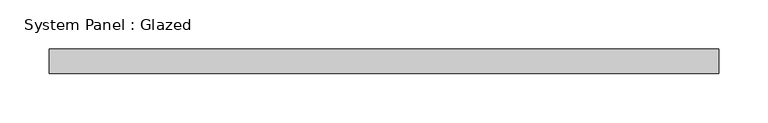
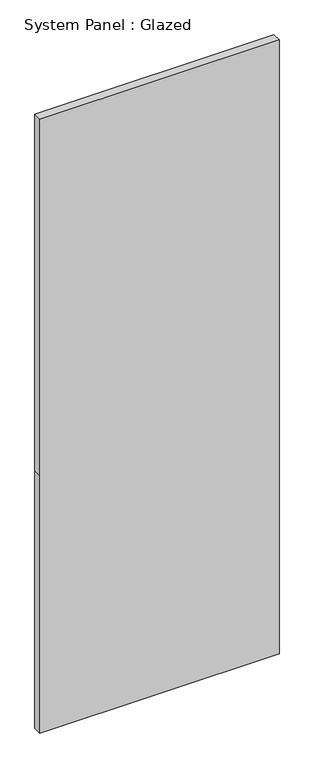
"""IFC4 building model written with IfcOpenShell, lengths in millimetres: plate geometry, System Panel : Glazed."""

import ifcopenshell
import ifcopenshell.guid

model = None  # the IFC model being written
_history = None  # IfcOwnerHistory: only IFC2X3 demands one
_inside = {}  # id of a spatial element -> (the spatial element, [elements in it])
_under = {}  # id of a project, library or spatial element -> (it, [spatial elements below it])
_declared = {}  # id of a project -> (the project, [libraries it declares])
_typed = {}  # id of a type object -> (the type object, [elements of that type])
_made_of = {}  # id of a material, layer set ... -> (it, [elements and type objects made of it])


def new_model(schema):
    """Start an empty IFC model of exactly this schema.

    Asked for "IFC4X3", IfcOpenShell would pick the latest addendum, in which some entities
    have other attributes; the version numbers below select the first issue.
    IFC2X3 requires an IfcOwnerHistory on every rooted entity: one is made here for all.
    """
    global model, _history
    if schema == "IFC4X3":
        model = ifcopenshell.file(schema_version=(4, 3, 0, 0))
    else:
        model = ifcopenshell.file(schema=schema)
    _inside.clear()
    _under.clear()
    _declared.clear()
    _typed.clear()
    _made_of.clear()
    _history = None
    if model.schema == "IFC2X3":
        org = make("IfcOrganization", Name="unknown")
        user = make(
            "IfcPersonAndOrganization",
            ThePerson=make("IfcPerson", FamilyName="unknown"),
            TheOrganization=org,
        )
        app = make(
            "IfcApplication",
            ApplicationDeveloper=org,
            Version="unknown",
            ApplicationFullName="unknown",
            ApplicationIdentifier="unknown",
        )
        _history = make(
            "IfcOwnerHistory",
            OwningUser=user,
            OwningApplication=app,
            ChangeAction="ADDED",
            CreationDate=0,
        )
    return model


def make(cls, **values):
    """One entity of the class cls with the attributes given. An attribute that is None is left unset."""
    return model.create_entity(
        cls, **{name: value for name, value in values.items() if value is not None}
    )


def rooted(cls, **values):
    """An entity with a GlobalId (a new one), such as an element, a storey or a relation."""
    return make(cls, GlobalId=ifcopenshell.guid.new(), OwnerHistory=_history, **values)


def si_unit(unit_type, name, prefix=None):
    """IfcSIUnit, for example si_unit("LENGTHUNIT", "METRE", prefix="MILLI")."""
    return make("IfcSIUnit", UnitType=unit_type, Prefix=prefix, Name=name)


def assignment(units):
    """IfcUnitAssignment: the units of a project."""
    return None if units is None else make("IfcUnitAssignment", Units=units)


def point(xyz):
    """IfcCartesianPoint."""
    return None if xyz is None else make("IfcCartesianPoint", Coordinates=xyz)


def direction(xyz):
    """IfcDirection."""
    return None if xyz is None else make("IfcDirection", DirectionRatios=xyz)


def frame(location, z_axis=None, x_axis=None):
    """IfcAxis2Placement3D, a coordinate frame: its origin and axes. An axis left out is left unset."""
    return make(
        "IfcAxis2Placement3D",
        Location=point(location),
        Axis=direction(z_axis),
        RefDirection=direction(x_axis),
    )


def origin():
    """The frame at (0, 0, 0) with its axes left unset."""
    return frame((0.0, 0.0, 0.0))


def place(relative_to, where):
    """IfcLocalPlacement: puts the frame where relative to a parent placement (None: the world)."""
    return make(
        "IfcLocalPlacement", PlacementRelTo=relative_to, RelativePlacement=where
    )


def context(
    kind, dimensions, precision=None, world=None, true_north=None, identifier=None
):
    """IfcGeometricRepresentationContext, for example the 3D "Model" context."""
    return make(
        "IfcGeometricRepresentationContext",
        ContextIdentifier=identifier,
        ContextType=kind,
        CoordinateSpaceDimension=dimensions,
        Precision=precision,
        WorldCoordinateSystem=world,
        TrueNorth=true_north,
    )


def project(units=None, contexts=None):
    """IfcProject with its units and contexts."""
    return rooted(
        "IfcProject",
        Name="project",
        RepresentationContexts=contexts,
        UnitsInContext=assignment(units),
    )


def spatial(cls, under=None, at=None, **own):
    """A site, building, storey or space (cls), placed at a placement, below another one or the project."""
    s = rooted(cls, ObjectPlacement=at, **own)
    if under is not None:
        _under.setdefault(under.id(), (under, []))[1].append(s)
    return s


def polyline(points):
    """IfcPolyline through the points."""
    return make("IfcPolyline", Points=[point(p) for p in points])


def outline(outer, holes=None, kind="AREA"):
    """IfcArbitraryClosedProfileDef: a profile drawn as a closed curve; with holes, ...WithVoids."""
    if holes is None:
        return make("IfcArbitraryClosedProfileDef", ProfileType=kind, OuterCurve=outer)
    return make(
        "IfcArbitraryProfileDefWithVoids",
        ProfileType=kind,
        OuterCurve=outer,
        InnerCurves=holes,
    )


def extrude(swept, where, along, depth):
    """IfcExtrudedAreaSolid: the profile swept, set in the frame where, extruded along a direction by depth."""
    return make(
        "IfcExtrudedAreaSolid",
        SweptArea=swept,
        Position=where,
        ExtrudedDirection=direction(along),
        Depth=depth,
    )


def shape(context_of_items, identifier, shape_type, items):
    """IfcShapeRepresentation: the items that make up one representation, for example the "Body"."""
    return make(
        "IfcShapeRepresentation",
        ContextOfItems=context_of_items,
        RepresentationIdentifier=identifier,
        RepresentationType=shape_type,
        Items=items,
    )


def source(mapping_origin, context_of_items, identifier, shape_type, items):
    """IfcRepresentationMap: a shape defined once, which mapped items show again and again."""
    return make(
        "IfcRepresentationMap",
        MappingOrigin=mapping_origin,
        MappedRepresentation=shape(context_of_items, identifier, shape_type, items),
    )


def transform(
    local_origin,
    x_axis=None,
    y_axis=None,
    z_axis=None,
    scale=None,
    scale2=None,
    scale3=None,
    uniform=True,
):
    """IfcCartesianTransformationOperator3D, or its non-uniform kind. x_axis, y_axis, z_axis: its Axis1, 2, 3."""
    if uniform:
        return make(
            "IfcCartesianTransformationOperator3D",
            Axis1=direction(x_axis),
            Axis2=direction(y_axis),
            LocalOrigin=point(local_origin),
            Scale=scale,
            Axis3=direction(z_axis),
        )
    return make(
        "IfcCartesianTransformationOperator3DnonUniform",
        Axis1=direction(x_axis),
        Axis2=direction(y_axis),
        LocalOrigin=point(local_origin),
        Scale=scale,
        Axis3=direction(z_axis),
        Scale2=scale2,
        Scale3=scale3,
    )


def mapped(mapping_source, mapping_target):
    """IfcMappedItem: shows the shape of a source again, moved by a transform."""
    return make(
        "IfcMappedItem", MappingSource=mapping_source, MappingTarget=mapping_target
    )


def made_of(thing, what):
    """Note that an element or type object is made of a material, layer set ...; save() writes the relation."""
    if what is not None:
        _made_of.setdefault(what.id(), (what, []))[1].append(thing)
    return thing


def element(
    cls,
    number,
    at=None,
    inside=None,
    cuts=None,
    type_object=None,
    material=None,
    context=None,
    identifier="Body",
    shape_type=None,
    held_by="IfcProductDefinitionShape",
    body=None,
    shapes=None,
    **own,
):
    """One element of the class cls, such as IfcWall. Its Tag is "e" and its number.

    at: its placement. inside: the storey or other place that contains it. cuts: it is an
    opening in that element (IfcRelVoidsElement). A single representation is given by context,
    identifier, shape_type and body (its items); several are given by shapes. held_by: the class
    of the entity that holds the representations. save() writes the other relations.
    """
    e = rooted(cls, Tag="e%d" % number, ObjectPlacement=at, **own)
    if body is not None:
        shapes = [shape(context, identifier, shape_type, body)]
    if shapes is not None:
        e.Representation = make(held_by, Representations=shapes)
    if inside is not None:
        _inside.setdefault(inside.id(), (inside, []))[1].append(e)
    if cuts is not None:
        rooted(
            "IfcRelVoidsElement", RelatingBuildingElement=cuts, RelatedOpeningElement=e
        )
    if type_object is not None:
        _typed.setdefault(type_object.id(), (type_object, []))[1].append(e)
    return made_of(e, material)


def aggregate(whole, parts):
    """IfcRelAggregates: a whole, such as a stair, and the parts it consists of."""
    return rooted("IfcRelAggregates", RelatingObject=whole, RelatedObjects=parts)


def save(model, path):
    """Write the relations noted so far, then the file.

    IfcRelAggregates (storeys below a building ...), IfcRelContainedInSpatialStructure (elements
    in a storey), IfcRelDefinesByType, IfcRelAssociatesMaterial and IfcRelDeclares: one each for
    every whole, place, type object, material and project.
    """
    for whole, parts in _under.values():
        aggregate(whole, parts)
    for where, things in _inside.values():
        rooted(
            "IfcRelContainedInSpatialStructure",
            RelatedElements=things,
            RelatingStructure=where,
        )
    for kind, things in _typed.values():
        rooted("IfcRelDefinesByType", RelatedObjects=things, RelatingType=kind)
    for what, things in _made_of.values():
        rooted("IfcRelAssociatesMaterial", RelatedObjects=things, RelatingMaterial=what)
    for by, libraries in _declared.values():
        rooted("IfcRelDeclares", RelatingContext=by, RelatedDefinitions=libraries)
    model.write(path)


def system_panel_glazed_96464cf6(model_context):
    return source(origin(), model_context, "Body", "SweptSolid", [
        extrude(outline(polyline([(0.0, -340.0), (0.0, 340.0), (773.3333333, 340.0), (1846.6666667, 340.0), (1846.6666667, -340.0), (773.3333333, -340.0), (0.0, -340.0)])), frame((0.0, 24.5, 0.0), z_axis=(0.0, 1.0, 0.0), x_axis=(0.0, 0.0, 1.0)), (0.0, 0.0, 1.0), 25.0),
    ])


if __name__ == "__main__":
    model = new_model("IFC4")
    model_context = context("Model", 3, world=origin())
    ifc_project = project(units=[si_unit("LENGTHUNIT", "METRE", prefix="MILLI")], contexts=[model_context])
    site = spatial("IfcSite", under=ifc_project)
    building = spatial("IfcBuilding", under=site)
    placement = place(None, origin())
    system_panel_glazed_shape = system_panel_glazed_96464cf6(model_context)
    element("IfcPlate", 1, ObjectType="System Panel : Glazed", at=placement, inside=building, context=model_context, shape_type="MappedRepresentation", body=[
        mapped(system_panel_glazed_shape, transform((0.0, 0.0, 0.0), x_axis=(1.0, 0.0, 0.0), y_axis=(0.0, 1.0, 0.0), z_axis=(0.0, 0.0, 1.0))),
    ])
    save(model, "model.ifc")
